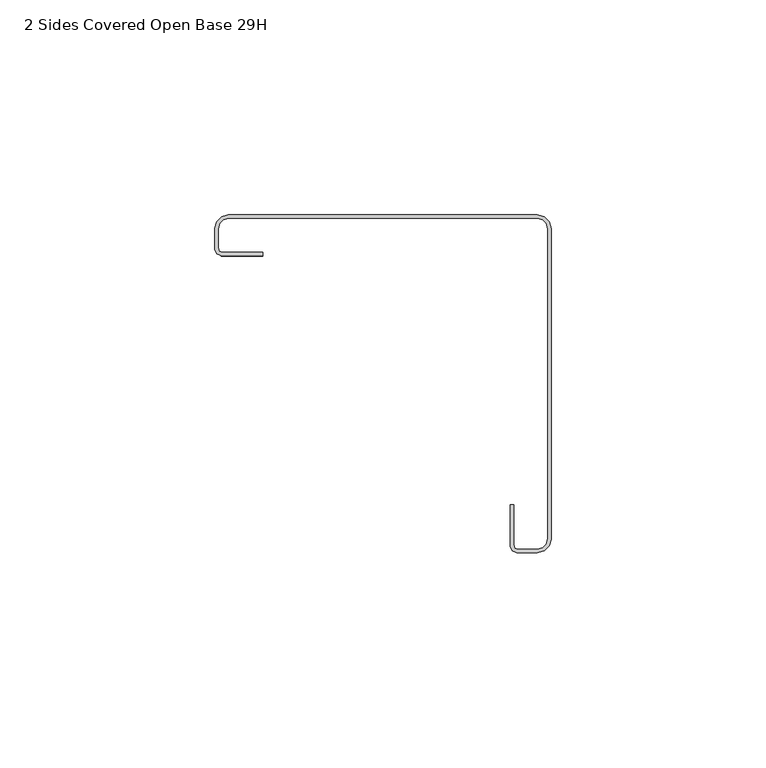
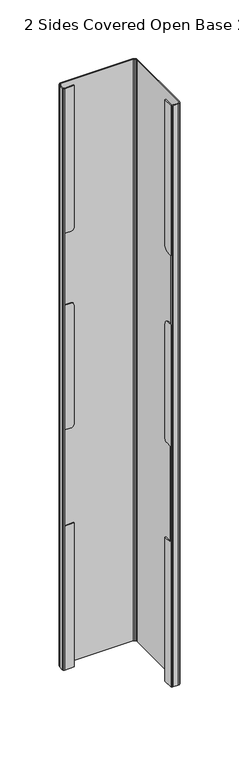
"""IFC4 building model written with IfcOpenShell, lengths in millimetres: furniture geometry, 2 Sides Covered Open Base 29H."""

import ifcopenshell
import ifcopenshell.guid

model = None  # the IFC model being written
_history = None  # IfcOwnerHistory: only IFC2X3 demands one
_inside = {}  # id of a spatial element -> (the spatial element, [elements in it])
_under = {}  # id of a project, library or spatial element -> (it, [spatial elements below it])
_declared = {}  # id of a project -> (the project, [libraries it declares])
_typed = {}  # id of a type object -> (the type object, [elements of that type])
_made_of = {}  # id of a material, layer set ... -> (it, [elements and type objects made of it])


def new_model(schema):
    """Start an empty IFC model of exactly this schema.

    Asked for "IFC4X3", IfcOpenShell would pick the latest addendum, in which some entities
    have other attributes; the version numbers below select the first issue.
    IFC2X3 requires an IfcOwnerHistory on every rooted entity: one is made here for all.
    """
    global model, _history
    if schema == "IFC4X3":
        model = ifcopenshell.file(schema_version=(4, 3, 0, 0))
    else:
        model = ifcopenshell.file(schema=schema)
    _inside.clear()
    _under.clear()
    _declared.clear()
    _typed.clear()
    _made_of.clear()
    _history = None
    if model.schema == "IFC2X3":
        org = make("IfcOrganization", Name="unknown")
        user = make(
            "IfcPersonAndOrganization",
            ThePerson=make("IfcPerson", FamilyName="unknown"),
            TheOrganization=org,
        )
        app = make(
            "IfcApplication",
            ApplicationDeveloper=org,
            Version="unknown",
            ApplicationFullName="unknown",
            ApplicationIdentifier="unknown",
        )
        _history = make(
            "IfcOwnerHistory",
            OwningUser=user,
            OwningApplication=app,
            ChangeAction="ADDED",
            CreationDate=0,
        )
    return model


def make(cls, **values):
    """One entity of the class cls with the attributes given. An attribute that is None is left unset."""
    return model.create_entity(
        cls, **{name: value for name, value in values.items() if value is not None}
    )


def rooted(cls, **values):
    """An entity with a GlobalId (a new one), such as an element, a storey or a relation."""
    return make(cls, GlobalId=ifcopenshell.guid.new(), OwnerHistory=_history, **values)


def si_unit(unit_type, name, prefix=None):
    """IfcSIUnit, for example si_unit("LENGTHUNIT", "METRE", prefix="MILLI")."""
    return make("IfcSIUnit", UnitType=unit_type, Prefix=prefix, Name=name)


def assignment(units):
    """IfcUnitAssignment: the units of a project."""
    return None if units is None else make("IfcUnitAssignment", Units=units)


def point(xyz):
    """IfcCartesianPoint."""
    return None if xyz is None else make("IfcCartesianPoint", Coordinates=xyz)


def direction(xyz):
    """IfcDirection."""
    return None if xyz is None else make("IfcDirection", DirectionRatios=xyz)


def frame(location, z_axis=None, x_axis=None):
    """IfcAxis2Placement3D, a coordinate frame: its origin and axes. An axis left out is left unset."""
    return make(
        "IfcAxis2Placement3D",
        Location=point(location),
        Axis=direction(z_axis),
        RefDirection=direction(x_axis),
    )


def origin():
    """The frame at (0, 0, 0) with its axes left unset."""
    return frame((0.0, 0.0, 0.0))


def place(relative_to, where):
    """IfcLocalPlacement: puts the frame where relative to a parent placement (None: the world)."""
    return make(
        "IfcLocalPlacement", PlacementRelTo=relative_to, RelativePlacement=where
    )


def context(
    kind, dimensions, precision=None, world=None, true_north=None, identifier=None
):
    """IfcGeometricRepresentationContext, for example the 3D "Model" context."""
    return make(
        "IfcGeometricRepresentationContext",
        ContextIdentifier=identifier,
        ContextType=kind,
        CoordinateSpaceDimension=dimensions,
        Precision=precision,
        WorldCoordinateSystem=world,
        TrueNorth=true_north,
    )


def project(units=None, contexts=None):
    """IfcProject with its units and contexts."""
    return rooted(
        "IfcProject",
        Name="project",
        RepresentationContexts=contexts,
        UnitsInContext=assignment(units),
    )


def spatial(cls, under=None, at=None, **own):
    """A site, building, storey or space (cls), placed at a placement, below another one or the project."""
    s = rooted(cls, ObjectPlacement=at, **own)
    if under is not None:
        _under.setdefault(under.id(), (under, []))[1].append(s)
    return s


def circle_curve(where, radius):
    """IfcCircle in the frame where."""
    return make("IfcCircle", Position=where, Radius=radius)


def shape(context_of_items, identifier, shape_type, items):
    """IfcShapeRepresentation: the items that make up one representation, for example the "Body"."""
    return make(
        "IfcShapeRepresentation",
        ContextOfItems=context_of_items,
        RepresentationIdentifier=identifier,
        RepresentationType=shape_type,
        Items=items,
    )


def source(mapping_origin, context_of_items, identifier, shape_type, items):
    """IfcRepresentationMap: a shape defined once, which mapped items show again and again."""
    return make(
        "IfcRepresentationMap",
        MappingOrigin=mapping_origin,
        MappedRepresentation=shape(context_of_items, identifier, shape_type, items),
    )


def transform(
    local_origin,
    x_axis=None,
    y_axis=None,
    z_axis=None,
    scale=None,
    scale2=None,
    scale3=None,
    uniform=True,
):
    """IfcCartesianTransformationOperator3D, or its non-uniform kind. x_axis, y_axis, z_axis: its Axis1, 2, 3."""
    if uniform:
        return make(
            "IfcCartesianTransformationOperator3D",
            Axis1=direction(x_axis),
            Axis2=direction(y_axis),
            LocalOrigin=point(local_origin),
            Scale=scale,
            Axis3=direction(z_axis),
        )
    return make(
        "IfcCartesianTransformationOperator3DnonUniform",
        Axis1=direction(x_axis),
        Axis2=direction(y_axis),
        LocalOrigin=point(local_origin),
        Scale=scale,
        Axis3=direction(z_axis),
        Scale2=scale2,
        Scale3=scale3,
    )


def mapped(mapping_source, mapping_target):
    """IfcMappedItem: shows the shape of a source again, moved by a transform."""
    return make(
        "IfcMappedItem", MappingSource=mapping_source, MappingTarget=mapping_target
    )


def made_of(thing, what):
    """Note that an element or type object is made of a material, layer set ...; save() writes the relation."""
    if what is not None:
        _made_of.setdefault(what.id(), (what, []))[1].append(thing)
    return thing


def element(
    cls,
    number,
    at=None,
    inside=None,
    cuts=None,
    type_object=None,
    material=None,
    context=None,
    identifier="Body",
    shape_type=None,
    held_by="IfcProductDefinitionShape",
    body=None,
    shapes=None,
    **own,
):
    """One element of the class cls, such as IfcWall. Its Tag is "e" and its number.

    at: its placement. inside: the storey or other place that contains it. cuts: it is an
    opening in that element (IfcRelVoidsElement). A single representation is given by context,
    identifier, shape_type and body (its items); several are given by shapes. held_by: the class
    of the entity that holds the representations. save() writes the other relations.
    """
    e = rooted(cls, Tag="e%d" % number, ObjectPlacement=at, **own)
    if body is not None:
        shapes = [shape(context, identifier, shape_type, body)]
    if shapes is not None:
        e.Representation = make(held_by, Representations=shapes)
    if inside is not None:
        _inside.setdefault(inside.id(), (inside, []))[1].append(e)
    if cuts is not None:
        rooted(
            "IfcRelVoidsElement", RelatingBuildingElement=cuts, RelatedOpeningElement=e
        )
    if type_object is not None:
        _typed.setdefault(type_object.id(), (type_object, []))[1].append(e)
    return made_of(e, material)


def aggregate(whole, parts):
    """IfcRelAggregates: a whole, such as a stair, and the parts it consists of."""
    return rooted("IfcRelAggregates", RelatingObject=whole, RelatedObjects=parts)


def save(model, path):
    """Write the relations noted so far, then the file.

    IfcRelAggregates (storeys below a building ...), IfcRelContainedInSpatialStructure (elements
    in a storey), IfcRelDefinesByType, IfcRelAssociatesMaterial and IfcRelDeclares: one each for
    every whole, place, type object, material and project.
    """
    for whole, parts in _under.values():
        aggregate(whole, parts)
    for where, things in _inside.values():
        rooted(
            "IfcRelContainedInSpatialStructure",
            RelatedElements=things,
            RelatingStructure=where,
        )
    for kind, things in _typed.values():
        rooted("IfcRelDefinesByType", RelatedObjects=things, RelatingType=kind)
    for what, things in _made_of.values():
        rooted("IfcRelAssociatesMaterial", RelatedObjects=things, RelatingMaterial=what)
    for by, libraries in _declared.values():
        rooted("IfcRelDeclares", RelatingContext=by, RelatedDefinitions=libraries)
    model.write(path)


def plane_surface(at):
    """IfcPlane: the flat surface through the origin of the frame at, square to its z axis."""
    return make("IfcPlane", Position=at)


def cylinder_surface(at, radius):
    """IfcCylindricalSurface: all points at the distance radius from the z axis of the frame at."""
    return make("IfcCylindricalSurface", Position=at, Radius=radius)


def advanced_brep(points, edges, surfaces, faces):
    """IfcAdvancedBrep: a solid bounded by faces that lie on surfaces and meet in shared edges.

    An edge is (start, end): straight between two places in points (the first is 0);
    or (start, end, curve); or (start, end, curve, False) where it runs against its curve.
    A face is (place in surfaces, loops), or (place, loops, False) where it looks against
    its surface's normal. A loop lists edges by number (the first is 1), with a minus sign
    where the edge is run from its end to its start. The first loop is the outer one.
    """
    corners = [point(p) for p in points]
    vertices = [make("IfcVertexPoint", VertexGeometry=c) for c in corners]
    made = []
    for start, end, *more in edges:
        made.append(
            make(
                "IfcEdgeCurve",
                EdgeStart=vertices[start],
                EdgeEnd=vertices[end],
                EdgeGeometry=more[0] if more else make("IfcPolyline", Points=[corners[start], corners[end]]),
                SameSense=more[1] if len(more) > 1 else True,
            )
        )
    hull = []
    for where, loops, *sense in faces:
        bounds = []
        for j, loop in enumerate(loops):
            ring = [make("IfcOrientedEdge", EdgeElement=made[abs(k) - 1], Orientation=k > 0) for k in loop]
            bounds.append(
                make(
                    "IfcFaceOuterBound" if j == 0 else "IfcFaceBound",
                    Bound=make("IfcEdgeLoop", EdgeList=ring),
                    Orientation=True,
                )
            )
        hull.append(make("IfcAdvancedFace", Bounds=bounds, FaceSurface=surfaces[where], SameSense=sense[0] if sense else True))
    return make("IfcAdvancedBrep", Outer=make("IfcClosedShell", CfsFaces=hull))


def furniture_2_sides_covered_open_base_29h_c8ab1989(model_context):
    return source(origin(), model_context, "Body", "AdvancedBrep", [
        advanced_brep(
        [(74.9660372, -0.7874, 716.0768), (76.2496149, -1.1313329, 716.0768), (77.1133681, -1.9950872, 716.0768), (77.4572971, -3.2786622, 716.0768), (77.4572971, -75.3343388, 716.0768), (77.113368, -76.6179165, 716.0768), (76.2496159, -77.4816685, 716.0768), (74.9660383, -77.8255977, 716.0768), (70.5653487, -77.8255977, 716.0768), (69.7998085, -77.5768586, 716.0768), (69.5071017, -76.6759996, 716.0768), (69.5071017, -67.4369993, 716.0768), (68.7197017, -67.4369993, 716.0768), (68.7197017, -77.0889992, 716.0768), (69.166068, -78.1666314, 716.0768), (70.2437002, -78.6129977, 716.0768), (75.0697002, -78.6129977, 716.0768), (76.6572032, -78.187633, 716.0768), (77.8193325, -77.0255038, 716.0768), (78.2446971, -75.4380007, 716.0768), (78.2446971, -3.1750001, 716.0768), (77.8193325, -1.5875, 716.0768), (76.6572032, -0.4253693, 716.0768), (75.0697002, 0.0, 716.0768), (3.1622999, 0.0, 716.0768), (1.5748, -0.4253693, 716.0768), (0.4126693, -1.5875, 716.0768), (0.0, -3.127603, 716.0768), (0.0, -8.0316603, 716.0768), (0.4336693, -9.0786309, 716.0768), (1.5113, -9.525, 716.0768), (11.1633005, -9.525, 716.0768), (11.1633005, -8.7376, 716.0768), (1.796707, -8.7376, 716.0768), (1.0612555, -8.4699175, 716.0768), (0.7874, -7.6270771, 716.0768), (0.7874, -3.2312662, 716.0768), (1.1186329, -1.9950883, 716.0768), (1.9823882, -1.1313329, 716.0768), (3.2659631, -0.7874, 716.0768), (74.9660372, -0.7874, 101.6127), (3.2659631, -0.7874, 101.6127), (1.9823882, -1.1313329, 101.6127), (1.1186329, -1.9950883, 101.6127), (0.7874, -3.2312662, 101.6127), (0.7874, -7.6270771, 101.6127), (1.0612555, -8.4699175, 101.6127), (1.796707, -8.7376, 101.6127), (11.1633005, -8.7376, 101.6127), (11.1633005, -9.525, 101.6127), (1.5113, -9.525, 101.6127), (0.4336693, -9.0786309, 101.6127), (0.0, -8.0316603, 101.6127), (0.0, -3.127603, 101.6127), (0.4126693, -1.5875, 101.6127), (1.5748, -0.4253693, 101.6127), (3.1622999, 0.0, 101.6127), (75.0697002, 0.0, 101.6127), (76.6572032, -0.4253693, 101.6127), (77.8193325, -1.5875, 101.6127), (78.2446971, -3.1750001, 101.6127), (78.2446971, -75.4380007, 101.6127), (77.8193325, -77.0255038, 101.6127), (76.6572032, -78.187633, 101.6127), (75.0697002, -78.6129977, 101.6127), (70.2437002, -78.6129977, 101.6127), (69.166068, -78.1666314, 101.6127), (68.7197017, -77.0889992, 101.6127), (68.7197017, -67.4369993, 101.6127), (69.5071017, -67.4369993, 101.6127), (69.5071017, -76.6759996, 101.6127), (69.7998085, -77.5768586, 101.6127), (70.5653487, -77.8255977, 101.6127), (74.9660383, -77.8255977, 101.6127), (76.2496159, -77.4816685, 101.6127), (77.113368, -76.6179165, 101.6127), (77.4572971, -75.3343388, 101.6127), (77.4572971, -3.2786622, 101.6127), (77.1133681, -1.9950872, 101.6127), (76.2496149, -1.1313329, 101.6127), (1.5113, -9.525, 253.7967988), (1.5113, -9.525, 355.3967988), (1.5113, -9.525, 486.9688088), (1.5747996, -9.5513024, 563.1688088), (7.9883026, -9.525, 563.1688088), (10.233369, -9.525, 564.0987303), (11.1633005, -9.525, 566.3437881), (11.1633005, -9.525, 253.7967988), (7.9883026, -9.525, 486.9688088), (8.2679579, -9.525, 355.3967988), (10.2333643, -9.525, 356.2108999), (11.1633005, -9.525, 358.4559664), (11.1633005, -9.525, 483.7937932), (10.233369, -9.525, 486.038851), (11.1633005, -8.7376, 566.3437881), (11.1633005, -8.7376, 253.7967988), (11.1633005, -8.7376, 483.7937932), (11.1633005, -8.7376, 358.4559664), (10.233369, -8.7376, 564.0987303), (7.9883026, -8.7376, 563.1688088), (1.796707, -8.7376, 563.1688088), (1.796707, -8.7376, 253.7967988), (1.796707, -8.7376, 486.9688088), (7.9883026, -8.7376, 486.9688088), (10.233369, -8.7376, 486.038851), (10.2333643, -8.7376, 356.2108999), (8.2679579, -8.7376, 355.3967988), (1.796707, -8.7376, 355.3967988), (1.5747996, -8.6568323, 563.1688088), (1.5747996, -8.6568323, 486.9688088), (1.5113, -8.6337203, 355.3967988), (1.5113, -8.6337203, 253.7967988), (69.5071017, -76.6759996, 253.7968071), (69.5071017, -76.6759996, 355.3968071), (69.5071017, -76.6759996, 483.9208117), (69.6412934, -77.0889992, 483.9208117), (69.6412934, -77.0889992, 557.1127065), (69.5071017, -76.6759996, 557.1127065), (69.5071017, -73.3690354, 557.1127065), (69.5071017, -67.4369993, 561.5828163), (69.5071017, -67.4369993, 253.7968071), (69.5071017, -70.1087074, 355.3968071), (69.5071017, -67.4369993, 358.0685152), (69.5071017, -67.4369993, 479.0948118), (69.5071017, -72.2629992, 483.9208117), (68.7197017, -67.4369993, 561.5828163), (68.7197017, -67.4369993, 253.7968071), (68.7197017, -67.4369993, 358.0685152), (68.7197017, -67.4369993, 479.0948118), (68.7197017, -73.3690354, 557.1127065), (68.7197017, -77.0889992, 557.1127065), (68.7197017, -77.0889992, 483.9208117), (68.7197017, -72.2629992, 483.9208117), (68.7197017, -70.1087074, 355.3968071), (68.7197017, -76.6759996, 355.3968071), (68.7197017, -76.6759996, 253.7968071)],
        [
            (0, 1),
            (1, 2),
            (2, 3),
            (3, 4),
            (4, 5),
            (5, 6),
            (6, 7),
            (7, 8),
            (8, 9),
            (9, 10),
            (10, 11),
            (11, 12),
            (12, 13),
            (13, 14),
            (14, 15),
            (15, 16),
            (16, 17),
            (17, 18),
            (18, 19),
            (19, 20),
            (20, 21),
            (21, 22),
            (22, 23),
            (23, 24),
            (24, 25),
            (25, 26),
            (26, 27),
            (27, 28),
            (28, 29),
            (29, 30),
            (30, 31),
            (31, 32),
            (32, 33),
            (33, 34),
            (34, 35),
            (35, 36),
            (36, 37),
            (37, 38),
            (38, 39),
            (39, 0),
            (40, 41),
            (41, 42),
            (42, 43),
            (43, 44),
            (44, 45),
            (45, 46),
            (46, 47),
            (47, 48),
            (48, 49),
            (49, 50),
            (50, 51),
            (51, 52),
            (52, 53),
            (53, 54),
            (54, 55),
            (55, 56),
            (56, 57),
            (57, 58),
            (58, 59),
            (59, 60),
            (60, 61),
            (61, 62),
            (62, 63),
            (63, 64),
            (64, 65),
            (65, 66),
            (66, 67),
            (67, 68),
            (68, 69),
            (69, 70),
            (70, 71),
            (71, 72),
            (72, 73),
            (73, 74),
            (74, 75),
            (75, 76),
            (76, 77),
            (77, 78),
            (78, 79),
            (79, 40),
            (39, 41),
            (40, 0),
            (23, 57),
            (56, 24),
            (55, 25),
            (54, 26),
            (53, 27),
            (52, 28),
            (51, 29),
            (50, 80),
            (80, 81),
            (81, 82),
            (82, 83),
            (83, 30),
            (83, 84),
            (84, 85),
            (85, 86),
            (86, 31),
            (49, 87),
            (87, 80),
            (88, 82),
            (81, 89),
            (89, 90),
            (90, 91),
            (91, 92),
            (92, 93),
            (93, 88),
            (86, 94),
            (94, 32),
            (48, 95),
            (95, 87),
            (96, 92),
            (91, 97),
            (97, 96),
            (94, 98),
            (98, 99),
            (99, 100),
            (100, 33),
            (47, 101),
            (101, 95),
            (102, 103),
            (103, 104),
            (104, 96),
            (97, 105),
            (105, 106),
            (106, 107),
            (107, 102),
            (100, 108),
            (108, 109),
            (109, 102),
            (107, 110),
            (110, 111),
            (111, 101),
            (46, 34),
            (45, 35),
            (44, 36),
            (43, 37),
            (42, 38),
            (99, 84),
            (83, 108),
            (82, 109),
            (88, 103),
            (93, 104),
            (85, 98),
            (79, 1),
            (78, 2),
            (77, 3),
            (76, 4),
            (75, 5),
            (74, 6),
            (73, 7),
            (72, 8),
            (71, 9),
            (70, 112),
            (112, 113),
            (113, 114),
            (114, 115),
            (115, 116),
            (116, 117),
            (117, 10),
            (117, 118),
            (118, 119, circle_curve(frame((69.5071017, -73.9304364, 564.0288046), z_axis=(1.0, 0.0, 0.0), x_axis=(0.0, 1.0, 0.0)), 6.9388461)),
            (119, 11),
            (69, 120),
            (120, 112),
            (113, 121),
            (121, 122, circle_curve(frame((69.5071017, -70.1087074, 358.0685152), z_axis=(1.0, 0.0, 0.0), x_axis=(0.0, 1.0, 0.0)), 2.6717081)),
            (122, 123),
            (123, 124, circle_curve(frame((69.5071017, -72.2629992, 479.0948118), z_axis=(1.0, 0.0, 0.0), x_axis=(0.0, 1.0, 0.0)), 4.8259999)),
            (124, 114),
            (119, 125),
            (125, 12),
            (68, 126),
            (126, 120),
            (122, 127),
            (127, 128),
            (128, 123),
            (125, 129, circle_curve(frame((68.7197017, -73.9304364, 564.0288046), z_axis=(-1.0, 0.0, 0.0), x_axis=(0.0, 1.0, 0.0)), 6.9388461)),
            (129, 130),
            (130, 13),
            (67, 131),
            (131, 132),
            (132, 128, circle_curve(frame((68.7197017, -72.2629992, 479.0948118), z_axis=(-1.0, 0.0, 0.0), x_axis=(0.0, 1.0, 0.0)), 4.8259999)),
            (127, 133, circle_curve(frame((68.7197017, -70.1087074, 358.0685152), z_axis=(-1.0, 0.0, 0.0), x_axis=(0.0, 1.0, 0.0)), 2.6717081)),
            (133, 134),
            (134, 135),
            (135, 126),
            (130, 131),
            (66, 14),
            (65, 15),
            (64, 16),
            (63, 17),
            (62, 18),
            (61, 19),
            (60, 20),
            (59, 21),
            (58, 22),
            (105, 90),
            (89, 106),
            (81, 110),
            (80, 111),
            (135, 112),
            (113, 134),
            (133, 121),
            (130, 116),
            (115, 131),
            (124, 132),
            (129, 118),
        ],
        [
            plane_surface(frame((74.9660372, -0.7874, 716.0768), z_axis=(0.0, 0.0, 1.0), x_axis=(0.965925949376313, -0.2588185857342326, 0.0))),
            plane_surface(frame((74.9660372, -0.7874, 101.6127), z_axis=(0.0, 0.0, -1.0), x_axis=(-0.965925949376313, 0.2588185857342326, 0.0))),
            plane_surface(frame((3.2659631, -0.7874, 716.0768), z_axis=(0.0, -1.0, 0.0), x_axis=(0.0, 0.0, -1.0))),
            plane_surface(frame((75.0697002, 0.0, 716.0768), z_axis=(0.0, 1.0, 0.0), x_axis=(0.0, 0.0, -1.0))),
            plane_surface(frame((3.1622999, 0.0, 716.0768), z_axis=(-0.2588190606333171, 0.9659258221276039, 0.0), x_axis=(0.0, 0.0, -1.0))),
            plane_surface(frame((1.5748, -0.4253693, 716.0768), z_axis=(-0.7071068027378455, 0.7071067596352489, 0.0), x_axis=(0.0, 0.0, -1.0))),
            plane_surface(frame((0.4126693, -1.5875, 716.0768), z_axis=(-0.9659258282452269, 0.25881903780203763, 0.0), x_axis=(0.0, 0.0, -1.0))),
            plane_surface(frame((0.0, -3.127603, 716.0768), z_axis=(-1.0, 0.0, 0.0), x_axis=(0.0, 0.0, -1.0))),
            plane_surface(frame((0.0, -8.0316603, 716.0768), z_axis=(-0.9238795817762775, -0.38268331342885936, 0.0), x_axis=(0.0, 0.0, -1.0))),
            plane_surface(frame((0.4336693, -9.0786309, 716.0768), z_axis=(-0.38268331877649353, -0.9238795795612157, 0.0), x_axis=(0.0, 0.0, -1.0))),
            plane_surface(frame((1.5113, -9.525, 716.0768), z_axis=(0.0, -1.0, 0.0), x_axis=(0.0, 0.0, -1.0))),
            plane_surface(frame((11.1633005, -9.525, 716.0768), z_axis=(1.0, 0.0, 0.0), x_axis=(0.0, 0.0, -1.0))),
            plane_surface(frame((11.1633005, -8.7376, 716.0768), z_axis=(0.0, 1.0, 0.0), x_axis=(0.0, 0.0, -1.0))),
            plane_surface(frame((1.796707, -8.7376, 716.0768), z_axis=(0.34202014332568903, 0.9396926207859011, 0.0), x_axis=(0.0, 0.0, -1.0))),
            plane_surface(frame((1.0612555, -8.4699175, 716.0768), z_axis=(0.9510565162951504, 0.30901699437495733, 0.0), x_axis=(0.0, 0.0, -1.0))),
            plane_surface(frame((0.7874, -7.6270771, 716.0768), z_axis=(1.0, 0.0, 0.0), x_axis=(0.0, 0.0, -1.0))),
            plane_surface(frame((0.7874, -3.2312662, 716.0768), z_axis=(0.9659258282452162, -0.25881903780207727, 0.0), x_axis=(0.0, 0.0, -1.0))),
            plane_surface(frame((1.1186329, -1.9950883, 716.0768), z_axis=(0.7071068027263515, -0.7071067596467429, 0.0), x_axis=(0.0, 0.0, -1.0))),
            plane_surface(frame((1.9823882, -1.1313329, 716.0768), z_axis=(0.258819061032348, -0.9659258220206839, 0.0), x_axis=(0.0, 0.0, -1.0))),
            plane_surface(frame((7.9883026, -18.0645434, 563.1688088), z_axis=(0.0, 0.0, -1.0), x_axis=(0.0, 1.0, 0.0))),
            plane_surface(frame((1.5747996, -18.0645434, 563.1688088), z_axis=(1.0, 0.0, 0.0), x_axis=(0.0, 1.0, 0.0))),
            plane_surface(frame((1.5747996, -18.0645434, 486.9688088), z_axis=(0.0, 0.0, 1.0), x_axis=(0.0, 1.0, 0.0))),
            plane_surface(frame((7.9883026, -18.0645434, 486.9688088), z_axis=(0.38269073779068524, 0.0, 0.9238765064710873), x_axis=(0.0, 1.0, 0.0))),
            plane_surface(frame((10.233369, -18.0645434, 486.038851), z_axis=(0.9238798105369592, 0.0, 0.38268276115105093), x_axis=(0.0, 1.0, 0.0))),
            plane_surface(frame((11.1633041, -18.0645434, 566.3437967), z_axis=(0.9238798105369604, 0.0, -0.38268276115104793), x_axis=(0.0, 1.0, 0.0))),
            plane_surface(frame((10.233369, -18.0645434, 564.0987303), z_axis=(0.3826779751261565, 0.0, -0.9238817929547832), x_axis=(0.0, 1.0, 0.0))),
            plane_surface(frame((74.9660372, -0.7874, 716.0768), z_axis=(-0.2588185857342326, -0.965925949376313, 0.0), x_axis=(0.0, 0.0, -1.0))),
            plane_surface(frame((76.2496149, -1.1313329, 716.0768), z_axis=(-0.707107212989157, -0.7071063493836743, 0.0), x_axis=(0.0, 0.0, -1.0))),
            plane_surface(frame((77.1133681, -1.9950872, 716.0768), z_axis=(-0.9659265403780775, -0.2588163800713518, 0.0), x_axis=(0.0, 0.0, -1.0))),
            plane_surface(frame((77.4572971, -3.2786622, 716.0768), z_axis=(-1.0, 0.0, 0.0), x_axis=(0.0, 0.0, -1.0))),
            plane_surface(frame((77.4572971, -75.3343388, 716.0768), z_axis=(-0.9659266618615301, 0.25881592668350495, 0.0), x_axis=(0.0, 0.0, -1.0))),
            plane_surface(frame((77.113368, -76.6179165, 716.0768), z_axis=(-0.7071067811865476, 0.7071067811865476, 0.0), x_axis=(0.0, 0.0, -1.0))),
            plane_surface(frame((76.2496159, -77.4816685, 716.0768), z_axis=(-0.2588159266835065, 0.9659266618615296, 0.0), x_axis=(0.0, 0.0, -1.0))),
            plane_surface(frame((74.9660383, -77.8255977, 716.0768), z_axis=(0.0, 1.0, 0.0), x_axis=(0.0, 0.0, -1.0))),
            plane_surface(frame((70.5653487, -77.8255977, 716.0768), z_axis=(0.30901699437494445, 0.9510565162951546, 0.0), x_axis=(0.0, 0.0, -1.0))),
            plane_surface(frame((69.7998085, -77.5768586, 716.0768), z_axis=(0.9510565162951553, 0.30901699437494223, 0.0), x_axis=(0.0, 0.0, -1.0))),
            plane_surface(frame((69.5071017, -76.6759996, 716.0768), z_axis=(1.0, 0.0, 0.0), x_axis=(0.0, 0.0, -1.0))),
            plane_surface(frame((69.5071017, -67.4369993, 716.0768), z_axis=(0.0, 1.0, 0.0), x_axis=(0.0, 0.0, -1.0))),
            plane_surface(frame((68.7197017, -67.4369993, 716.0768), z_axis=(-1.0, 0.0, 0.0), x_axis=(0.0, 0.0, -1.0))),
            plane_surface(frame((68.7197017, -77.0889992, 716.0768), z_axis=(-0.9238806270979648, -0.3826807897883969, 0.0), x_axis=(0.0, 0.0, -1.0))),
            plane_surface(frame((69.166068, -78.1666314, 716.0768), z_axis=(-0.3826807897883969, -0.9238806270979648, 0.0), x_axis=(0.0, 0.0, -1.0))),
            plane_surface(frame((70.2437002, -78.6129977, 716.0768), z_axis=(0.0, -1.0, 0.0), x_axis=(0.0, 0.0, -1.0))),
            plane_surface(frame((75.0697002, -78.6129977, 716.0768), z_axis=(0.25881592668350756, -0.9659266618615293, 0.0), x_axis=(0.0, 0.0, -1.0))),
            plane_surface(frame((76.6572032, -78.187633, 716.0768), z_axis=(0.7071067811865476, -0.7071067811865476, 0.0), x_axis=(0.0, 0.0, -1.0))),
            plane_surface(frame((77.8193325, -77.0255038, 716.0768), z_axis=(0.965926661861529, -0.25881592668350883, 0.0), x_axis=(0.0, 0.0, -1.0))),
            plane_surface(frame((78.2446971, -75.4380007, 716.0768), z_axis=(1.0, 0.0, 0.0), x_axis=(0.0, 0.0, -1.0))),
            plane_surface(frame((78.2446971, -3.1750001, 716.0768), z_axis=(0.9659265403780779, 0.2588163800713501, 0.0), x_axis=(0.0, 0.0, -1.0))),
            plane_surface(frame((77.8193325, -1.5875, 716.0768), z_axis=(0.707107212989156, 0.7071063493836753, 0.0), x_axis=(0.0, 0.0, -1.0))),
            plane_surface(frame((76.6572032, -0.4253693, 716.0768), z_axis=(0.2588185857389883, 0.9659259493750387, 0.0), x_axis=(0.0, 0.0, -1.0))),
            plane_surface(frame((10.2333643, -9.525, 356.2108999), z_axis=(0.3826846868913511, 0.0, -0.923879012868497), x_axis=(0.0, 1.0, 0.0))),
            plane_surface(frame((8.2679579, -9.525, 355.3967988), z_axis=(0.0, 0.0, -1.0), x_axis=(0.0, 1.0, 0.0))),
            plane_surface(frame((1.5113, -9.525, 355.3967988), z_axis=(1.0, 0.0, 0.0), x_axis=(0.0, 1.0, 0.0))),
            plane_surface(frame((1.5113, -9.525, 253.7967988), z_axis=(0.0, 0.0, 1.0), x_axis=(0.0, 1.0, 0.0))),
            plane_surface(frame((11.1633005, -9.525, 358.4559664), z_axis=(0.9238796453347353, 0.0, -0.3826831599850767), x_axis=(0.0, 1.0, 0.0))),
            plane_surface(frame((69.7103006, -76.6759996, 253.7968071), z_axis=(0.0, 0.0, 1.0), x_axis=(-1.0, 0.0, 0.0))),
            plane_surface(frame((69.7103006, -70.1087074, 355.3968071), z_axis=(0.0, 0.0, -1.0), x_axis=(-1.0, 0.0, 0.0))),
            plane_surface(frame((69.7103006, -76.6759996, 355.3968071), z_axis=(0.0, 1.0, 0.0), x_axis=(-1.0, 0.0, 0.0))),
            cylinder_surface(frame((68.7197017, -70.1087074, 358.0685152), z_axis=(-1.0, 0.0, 0.0), x_axis=(0.0, 1.0, 0.0)), 2.6717081),
            plane_surface(frame((70.0775839, -77.0889992, 557.1127065), z_axis=(0.0, 1.0, 0.0), x_axis=(-1.0, 0.0, 0.0))),
            plane_surface(frame((70.0775839, -77.0889992, 483.9208117), z_axis=(0.0, 0.0, 1.0), x_axis=(-1.0, 0.0, 0.0))),
            plane_surface(frame((70.0775839, -73.3690354, 557.1127065), z_axis=(0.0, 0.0, -1.0), x_axis=(-1.0, 0.0, 0.0))),
            cylinder_surface(frame((67.971129, -73.9304364, 564.0288046), z_axis=(-1.0, 0.0, 0.0), x_axis=(0.0, 1.0, 0.0)), 6.9388461),
            cylinder_surface(frame((67.971129, -72.2629992, 479.0948118), z_axis=(-1.0, 0.0, 0.0), x_axis=(0.0, 1.0, 0.0)), 4.8259999),
        ],
        [
            (0, [[1, 2, 3, 4, 5, 6, 7, 8, 9, 10, 11, 12, 13, 14, 15, 16, 17, 18, 19, 20, 21, 22, 23, 24, 25, 26, 27, 28, 29, 30, 31, 32, 33, 34, 35, 36, 37, 38, 39, 40]]),
            (1, [[41, 42, 43, 44, 45, 46, 47, 48, 49, 50, 51, 52, 53, 54, 55, 56, 57, 58, 59, 60, 61, 62, 63, 64, 65, 66, 67, 68, 69, 70, 71, 72, 73, 74, 75, 76, 77, 78, 79, 80]]),
            (2, [[-40, 81, -41, 82]]),
            (3, [[-24, 83, -57, 84]]),
            (4, [[-25, -84, -56, 85]]),
            (5, [[-26, -85, -55, 86]]),
            (6, [[-27, -86, -54, 87]]),
            (7, [[-28, -87, -53, 88]]),
            (8, [[-29, -88, -52, 89]]),
            (9, [[-30, -89, -51, 90, 91, 92, 93, 94]]),
            (10, [[-31, -94, 95, 96, 97, 98]]),
            (10, [[-50, 99, 100, -90]]),
            (10, [[101, -92, 102, 103, 104, 105, 106, 107]]),
            (11, [[-32, -98, 108, 109]]),
            (11, [[-49, 110, 111, -99]]),
            (11, [[112, -105, 113, 114]]),
            (12, [[-33, -109, 115, 116, 117, 118]]),
            (12, [[-48, 119, 120, -110]]),
            (12, [[121, 122, 123, -114, 124, 125, 126, 127]]),
            (13, [[-34, -118, 128, 129, 130, -127, 131, 132, 133, -119, -47, 134]]),
            (14, [[-35, -134, -46, 135]]),
            (15, [[-36, -135, -45, 136]]),
            (16, [[-37, -136, -44, 137]]),
            (17, [[-38, -137, -43, 138]]),
            (18, [[-39, -138, -42, -81]]),
            (19, [[139, -95, 140, -128, -117]]),
            (20, [[-140, -93, 141, -129]]),
            (21, [[-141, -101, 142, -121, -130]]),
            (22, [[-142, -107, 143, -122]]),
            (23, [[-143, -106, -112, -123]]),
            (24, [[144, -115, -108, -97]]),
            (25, [[-139, -116, -144, -96]]),
            (26, [[-1, -82, -80, 145]]),
            (27, [[-2, -145, -79, 146]]),
            (28, [[-3, -146, -78, 147]]),
            (29, [[-4, -147, -77, 148]]),
            (30, [[-5, -148, -76, 149]]),
            (31, [[-6, -149, -75, 150]]),
            (32, [[-7, -150, -74, 151]]),
            (33, [[-8, -151, -73, 152]]),
            (34, [[-9, -152, -72, 153]]),
            (35, [[-10, -153, -71, 154, 155, 156, 157, 158, 159, 160]]),
            (36, [[-11, -160, 161, 162, 163]]),
            (36, [[-70, 164, 165, -154]]),
            (36, [[166, 167, 168, 169, 170, -156]]),
            (37, [[-12, -163, 171, 172]]),
            (37, [[-69, 173, 174, -164]]),
            (37, [[175, 176, 177, -168]]),
            (38, [[-13, -172, 178, 179, 180]]),
            (38, [[-68, 181, 182, 183, -176, 184, 185, 186, 187, -173]]),
            (39, [[-14, -180, 188, -181, -67, 189]]),
            (40, [[-15, -189, -66, 190]]),
            (41, [[-16, -190, -65, 191]]),
            (42, [[-17, -191, -64, 192]]),
            (43, [[-18, -192, -63, 193]]),
            (44, [[-19, -193, -62, 194]]),
            (45, [[-20, -194, -61, 195]]),
            (46, [[-21, -195, -60, 196]]),
            (47, [[-22, -196, -59, 197]]),
            (48, [[-23, -197, -58, -83]]),
            (49, [[198, -103, 199, -125]]),
            (50, [[-199, -102, 200, -131, -126]]),
            (51, [[-200, -91, 201, -132]]),
            (52, [[-201, -100, -111, -120, -133]]),
            (53, [[-198, -124, -113, -104]]),
            (54, [[202, -165, -174, -187]]),
            (55, [[203, -185, 204, -166]]),
            (56, [[-202, -186, -203, -155]]),
            (57, [[-204, -184, -175, -167]]),
            (58, [[205, -158, 206, -188]]),
            (59, [[-206, -157, -170, 207, -182]]),
            (60, [[-205, -179, 208, -161, -159]]),
            (61, [[-208, -178, -171, -162]]),
            (62, [[-207, -169, -177, -183]]),
        ],
    ),
    ])


if __name__ == "__main__":
    model = new_model("IFC4")
    model_context = context("Model", 3, world=origin())
    ifc_project = project(units=[si_unit("LENGTHUNIT", "METRE", prefix="MILLI")], contexts=[model_context])
    site = spatial("IfcSite", under=ifc_project)
    building = spatial("IfcBuilding", under=site)
    placement = place(None, origin())
    furniture_2_sides_covered_open_base_29h_shape = furniture_2_sides_covered_open_base_29h_c8ab1989(model_context)
    element("IfcFurniture", 1, ObjectType="2 Sides Covered Open Base 29H", at=placement, inside=building, context=model_context, shape_type="MappedRepresentation", body=[
        mapped(furniture_2_sides_covered_open_base_29h_shape, transform((0.0, 0.0, 0.0), x_axis=(1.0, 0.0, 0.0), y_axis=(0.0, 1.0, 0.0), z_axis=(0.0, 0.0, 1.0))),
    ])
    save(model, "model.ifc")
